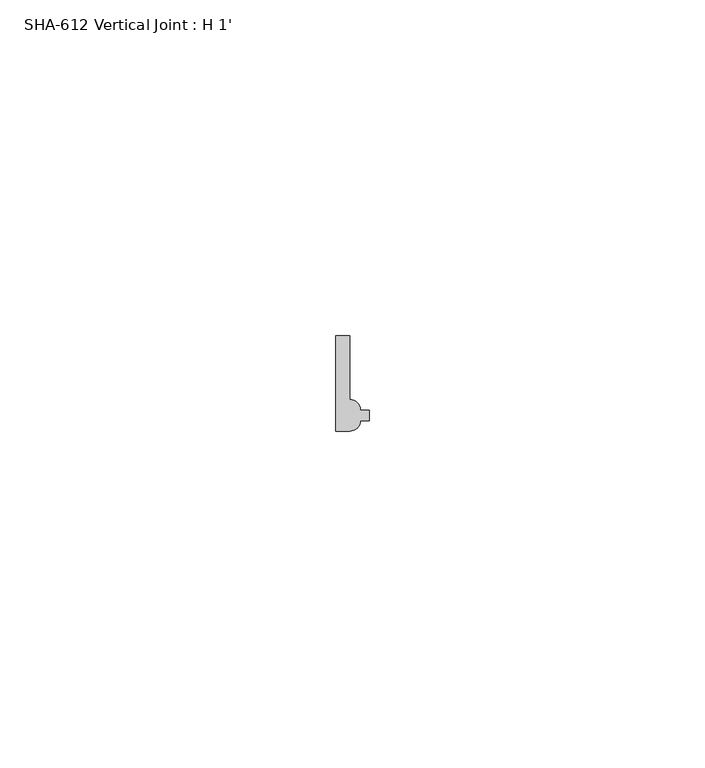
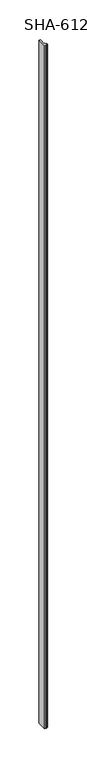
"""IFC4 building model written with IfcOpenShell, lengths in millimetres: proxy geometry, SHA-612 Vertical Joint : H 1'."""

from ifc_helpers import new_model, si_unit, point, frame_2d, origin, origin_with_axes, place, context, project, spatial, polyline, circle_curve, trimmed, segment, composite_curve, outline, extrude, source, transform, mapped, element, save


def sha_612_vertical_joint_h_1_bfd64995(model_context):
    return source(origin(), model_context, "Body", "SweptSolid", [
        extrude(outline(composite_curve([segment(polyline([(3.7084, -11.0998), (5.03555, -11.0998), (5.03555, -11.8872), (5.03555, -12.6746), (3.7084, -12.6746)]), True, "CONTINUOUS"), segment(trimmed(circle_curve(frame_2d((2.1336, -12.6746)), 1.5748), [point((3.7084, -12.6746))], [point((2.1336, -14.2494))], False, "CARTESIAN"), True, "CONTINUOUS"), segment(polyline([(2.1336, -14.2494), (0.0, -14.2494), (0.0, 0.0), (2.1336, 0.0), (2.1336, -9.525)]), True, "CONTINUOUS"), segment(trimmed(circle_curve(frame_2d((2.1336, -11.0998)), 1.5748), [point((2.1336, -9.525))], [point((3.7084, -11.0998))], False, "CARTESIAN"), True, "CONTINUOUS")], self_intersect=False)), origin_with_axes(), (0.0, 0.0, 1.0), 1063.625),
    ])


if __name__ == "__main__":
    model = new_model("IFC4")
    model_context = context("Model", 3, world=origin())
    ifc_project = project(units=[si_unit("LENGTHUNIT", "METRE", prefix="MILLI")], contexts=[model_context])
    site = spatial("IfcSite", under=ifc_project)
    building = spatial("IfcBuilding", under=site)
    placement = place(None, origin())
    sha_612_vertical_joint_h_1_shape = sha_612_vertical_joint_h_1_bfd64995(model_context)
    element("IfcBuildingElementProxy", 1, Name="SHA-612 Vertical Joint : H 1'", ObjectType="SHA-612 Vertical Joint : H 1'", at=placement, inside=building, context=model_context, shape_type="MappedRepresentation", body=[
        mapped(sha_612_vertical_joint_h_1_shape, transform((0.0, 0.0, 0.0), x_axis=(1.0, 0.0, 0.0), y_axis=(0.0, 1.0, 0.0), z_axis=(0.0, 0.0, 1.0))),
    ])
    save(model, "model.ifc")
